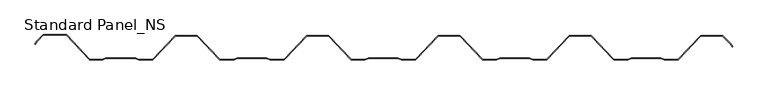
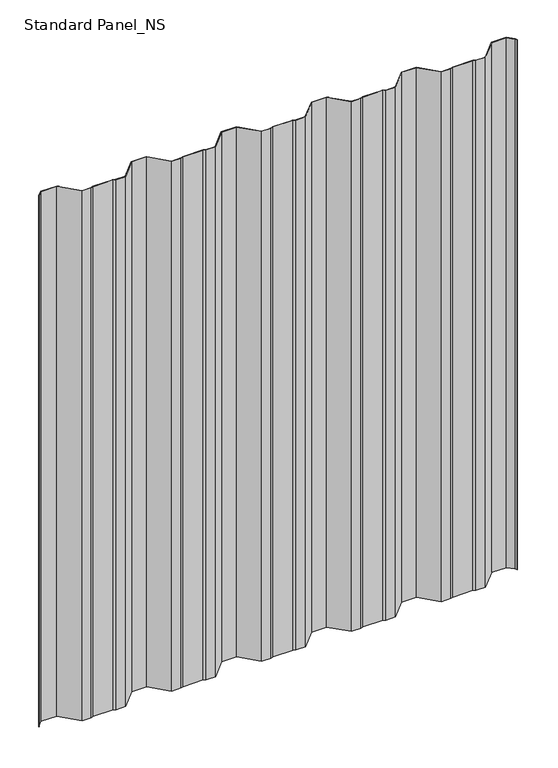
"""IFC4 building model written with IfcOpenShell, lengths in millimetres: proxy geometry, Standard Panel_NS."""

from ifc_helpers import new_model, si_unit, origin, origin_with_axes, place, context, project, spatial, polyline, outline, extrude, source, transform, mapped, element, save


def standard_panel_ns_f3d7244b(model_context):
    return source(origin(), model_context, "Body", "SweptSolid", [
        extrude(outline(polyline([(518.0275485, 23.9791847), (506.0067332, 36.0), (474.0067332, 36.0), (440.0067332, 0.0), (419.0067332, 0.0), (414.0067332, 2.0), (370.0067332, 2.0), (365.0067332, 0.0), (344.0067332, 0.0), (310.0067332, 36.0), (278.0067332, 36.0), (244.0067332, 0.0), (223.0067332, 0.0), (218.0067332, 2.0), (174.0067332, 2.0), (169.0067332, 0.0), (148.0067332, 0.0), (114.0067332, 36.0), (82.0067332, 36.0), (48.0067332, 0.0), (27.0067332, 0.0), (22.0067332, 2.0), (-21.9932668, 2.0), (-26.9932668, 0.0), (-47.9932668, 0.0), (-81.9932668, 36.0), (-113.9932668, 36.0), (-147.9932668, 0.0), (-168.9932668, 0.0), (-173.9932668, 2.0), (-217.9932668, 2.0), (-222.9932668, 0.0), (-243.9932668, 0.0), (-277.9932668, 36.0), (-309.9932668, 36.0), (-343.9932668, 0.0), (-364.9932668, 0.0), (-369.9932668, 2.0), (-413.9932668, 2.0), (-418.9932668, 0.0), (-438.1182668, 0.0), (-473.0488709, 37.0), (-507.1932668, 37.0), (-516.6785482, 27.5147186), (-519.1785482, 23.1845916), (-519.8713685, 23.5845916), (-517.3187075, 28.0059302), (-507.5246377, 37.8), (-472.7178741, 37.8), (-437.7734296, 0.8), (-419.1473328, 0.8), (-414.1473328, 2.8), (-369.8392009, 2.8), (-364.8392009, 0.8), (-344.338104, 0.8), (-310.338104, 36.8), (-277.6484296, 36.8), (-243.6484296, 0.8), (-223.1473328, 0.8), (-218.1473328, 2.8), (-173.8392009, 2.8), (-168.8392009, 0.8), (-148.338104, 0.8), (-114.338104, 36.8), (-81.6484296, 36.8), (-47.6484296, 0.8), (-27.1473328, 0.8), (-22.1473328, 2.8), (22.1607991, 2.8), (27.1607991, 0.8), (47.661896, 0.8), (81.661896, 36.8), (114.3515704, 36.8), (148.3515704, 0.8), (168.8526672, 0.8), (173.8526672, 2.8), (218.1607991, 2.8), (223.1607991, 0.8), (243.661896, 0.8), (277.661896, 36.8), (310.3515704, 36.8), (344.3515704, 0.8), (364.8526672, 0.8), (369.8526672, 2.8), (414.1607991, 2.8), (419.1607991, 0.8), (439.661896, 0.8), (473.661896, 36.8), (506.338104, 36.8), (518.6677078, 24.4703962), (521.2203688, 20.0490577), (520.5275485, 19.6490577), (518.0275485, 23.9791847)])), origin_with_axes(), (0.0, 0.0, 1.0), 1219.2),
    ])


if __name__ == "__main__":
    model = new_model("IFC4")
    model_context = context("Model", 3, world=origin())
    ifc_project = project(units=[si_unit("LENGTHUNIT", "METRE", prefix="MILLI")], contexts=[model_context])
    site = spatial("IfcSite", under=ifc_project)
    building = spatial("IfcBuilding", under=site)
    placement = place(None, origin())
    standard_panel_ns_shape = standard_panel_ns_f3d7244b(model_context)
    element("IfcBuildingElementProxy", 1, Name="Standard Panel_NS", ObjectType="Standard Panel_NS", at=placement, inside=building, context=model_context, shape_type="MappedRepresentation", body=[
        mapped(standard_panel_ns_shape, transform((0.0, 0.0, 0.0), x_axis=(1.0, 0.0, 0.0), y_axis=(0.0, 1.0, 0.0), z_axis=(0.0, 0.0, 1.0))),
    ])
    save(model, "model.ifc")
